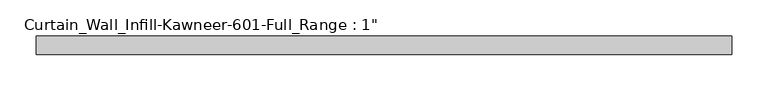
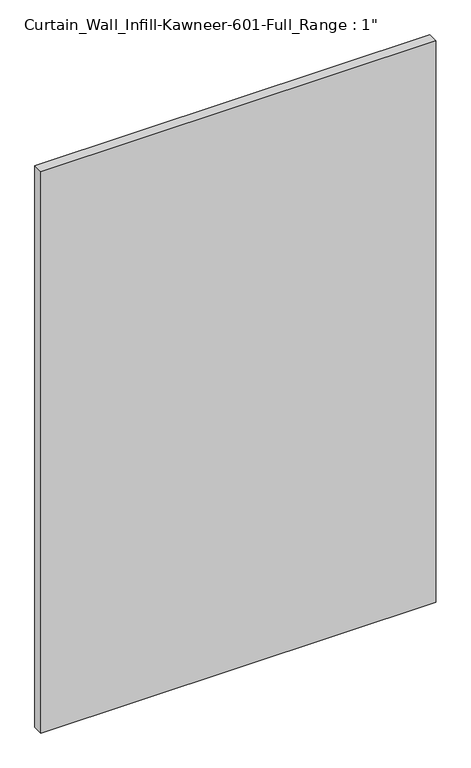
"""IFC4 building model written with IfcOpenShell, lengths in millimetres: plate geometry."""

from ifc_helpers import new_model, si_unit, origin, origin_with_axes, place, context, project, spatial, polyline, outline, extrude, source, transform, mapped, element, save


def plate_5d9cf05d(model_context):
    return source(origin(), model_context, "Body", "SweptSolid", [
        extrude(outline(polyline([(-479.425, -12.7), (-479.425, 12.7), (479.425, 12.7), (479.425, -12.7), (-479.425, -12.7)])), origin_with_axes(), (0.0, 0.0, 1.0), 1441.45),
    ])


if __name__ == "__main__":
    model = new_model("IFC4")
    model_context = context("Model", 3, world=origin())
    ifc_project = project(units=[si_unit("LENGTHUNIT", "METRE", prefix="MILLI")], contexts=[model_context])
    site = spatial("IfcSite", under=ifc_project)
    building = spatial("IfcBuilding", under=site)
    placement = place(None, origin())
    plate_shape = plate_5d9cf05d(model_context)
    element("IfcPlate", 1, ObjectType="Curtain_Wall_Infill-Kawneer-601-Full_Range : 1\"", at=placement, inside=building, context=model_context, shape_type="MappedRepresentation", body=[
        mapped(plate_shape, transform((0.0, 0.0, 0.0), x_axis=(1.0, 0.0, 0.0), y_axis=(0.0, 1.0, 0.0), z_axis=(0.0, 0.0, 1.0))),
    ])
    save(model, "model.ifc")
